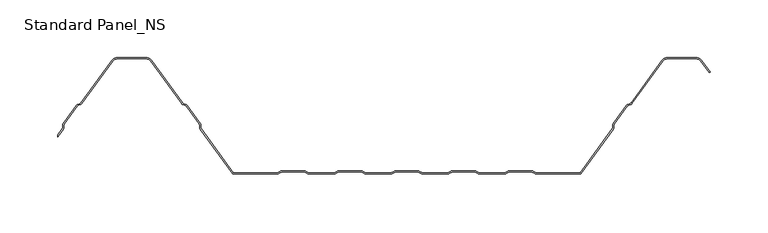
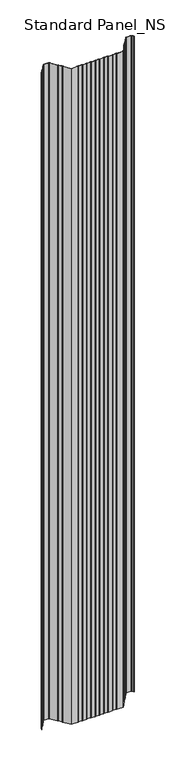
"""IFC4 building model written with IfcOpenShell, lengths in millimetres: proxy geometry, Standard Panel_NS."""

from ifc_helpers import new_model, si_unit, point, frame_2d, origin, origin_with_axes, place, context, project, spatial, polyline, circle_curve, trimmed, segment, composite_curve, outline, extrude, source, transform, mapped, element, save


def standard_panel_ns_bf9bcc61(model_context):
    return source(origin(), model_context, "Body", "SweptSolid", [
        extrude(outline(composite_curve([segment(polyline([(-265.3690592, 38.8012978), (-269.9999998, 32.4137935), (-269.9999998, 34.1174652), (-266.1786697, 39.3882654)]), True, "CONTINUOUS"), segment(trimmed(circle_curve(frame_2d((-267.5943584, 40.4146398)), 1.7486049), [point((-266.1786697, 39.3882654))], [point((-265.8471041, 40.3459275))], True, "CARTESIAN"), True, "CONTINUOUS"), segment(polyline([(-265.8471041, 40.3459275), (-265.7589288, 42.5881001)]), True, "CONTINUOUS"), segment(trimmed(circle_curve(frame_2d((-263.0124468, 42.4800924)), 2.7486049), [point((-265.7589288, 42.5881001))], [point((-265.237746, 44.0934344))], False, "CARTESIAN"), True, "CONTINUOUS"), segment(polyline([(-265.237746, 44.0934344), (-254.1199169, 59.4283711)]), True, "CONTINUOUS"), segment(trimmed(circle_curve(frame_2d((-251.8946177, 57.8150291)), 2.7486049), [point((-254.1199169, 59.4283711))], [point((-252.8512575, 60.3917847))], False, "CARTESIAN"), True, "CONTINUOUS"), segment(polyline([(-252.8512575, 60.3917847), (-250.7476461, 61.1727662)]), True, "CONTINUOUS"), segment(trimmed(circle_curve(frame_2d((-251.3562403, 62.8120441)), 1.7486049), [point((-250.7476461, 61.1727662))], [point((-249.9405515, 61.7856697))], True, "CARTESIAN"), True, "CONTINUOUS"), segment(polyline([(-249.9405515, 61.7856697), (-223.3068531, 98.5218054)]), True, "CONTINUOUS"), segment(trimmed(circle_curve(frame_2d((-218.4491905, 95.0)), 6.0), [point((-223.3068531, 98.5218054))], [point((-218.4491905, 101.0))], False, "CARTESIAN"), True, "CONTINUOUS"), segment(polyline([(-218.4491905, 101.0), (-193.5508098, 101.0)]), True, "CONTINUOUS"), segment(trimmed(circle_curve(frame_2d((-193.5508098, 95.0)), 6.0), [point((-193.5508098, 101.0))], [point((-188.6931472, 98.5218054))], False, "CARTESIAN"), True, "CONTINUOUS"), segment(polyline([(-188.6931472, 98.5218054), (-162.0594488, 61.7856697)]), True, "CONTINUOUS"), segment(trimmed(circle_curve(frame_2d((-160.64376, 62.8120441)), 1.7486049), [point((-162.0594488, 61.7856697))], [point((-161.2523542, 61.1727662))], True, "CARTESIAN"), True, "CONTINUOUS"), segment(polyline([(-161.2523542, 61.1727662), (-159.1487428, 60.3917847)]), True, "CONTINUOUS"), segment(trimmed(circle_curve(frame_2d((-160.1053826, 57.8150291)), 2.7486049), [point((-159.1487428, 60.3917847))], [point((-157.8800834, 59.4283711))], False, "CARTESIAN"), True, "CONTINUOUS"), segment(polyline([(-157.8800834, 59.4283711), (-146.7622543, 44.0934344)]), True, "CONTINUOUS"), segment(trimmed(circle_curve(frame_2d((-148.9875535, 42.4800924)), 2.7486049), [point((-146.7622543, 44.0934344))], [point((-146.2410715, 42.5881001))], False, "CARTESIAN"), True, "CONTINUOUS"), segment(polyline([(-146.2410715, 42.5881001), (-146.1528962, 40.3459275)]), True, "CONTINUOUS"), segment(trimmed(circle_curve(frame_2d((-144.4056419, 40.4146398)), 1.7486049), [point((-146.1528962, 40.3459275))], [point((-145.8213306, 39.3882654))], True, "CARTESIAN"), True, "CONTINUOUS"), segment(polyline([(-145.8213306, 39.3882654), (-117.9898382, 1.0), (-80.1655441, 1.0)]), True, "CONTINUOUS"), segment(trimmed(circle_curve(frame_2d((-80.1655441, 2.7486049)), 1.7486049), [point((-80.1655441, 1.0))], [point((-79.1955926, 1.2936777))], True, "CARTESIAN"), True, "CONTINUOUS"), segment(polyline([(-79.1955926, 1.2936777), (-77.3285502, 2.5383726)]), True, "CONTINUOUS"), segment(trimmed(circle_curve(frame_2d((-75.8038985, 0.2513951)), 2.7486049), [point((-77.3285502, 2.5383726))], [point((-75.8038985, 3.0))], False, "CARTESIAN"), True, "CONTINUOUS"), segment(polyline([(-75.8038985, 3.0), (-56.8627684, 3.0)]), True, "CONTINUOUS"), segment(trimmed(circle_curve(frame_2d((-56.8627684, 0.2513951)), 2.7486049), [point((-56.8627684, 3.0))], [point((-55.3381168, 2.5383726))], False, "CARTESIAN"), True, "CONTINUOUS"), segment(polyline([(-55.3381168, 2.5383726), (-53.4710744, 1.2936777)]), True, "CONTINUOUS"), segment(trimmed(circle_curve(frame_2d((-52.5011229, 2.7486049)), 1.7486049), [point((-53.4710744, 1.2936777))], [point((-52.5011229, 1.0))], True, "CARTESIAN"), True, "CONTINUOUS"), segment(polyline([(-52.5011229, 1.0), (-30.9988774, 1.0)]), True, "CONTINUOUS"), segment(trimmed(circle_curve(frame_2d((-30.9988774, 2.7486049)), 1.7486049), [point((-30.9988774, 1.0))], [point((-30.0289259, 1.2936777))], True, "CARTESIAN"), True, "CONTINUOUS"), segment(polyline([(-30.0289259, 1.2936777), (-28.1618835, 2.5383726)]), True, "CONTINUOUS"), segment(trimmed(circle_curve(frame_2d((-26.6372319, 0.2513951)), 2.7486049), [point((-28.1618835, 2.5383726))], [point((-26.6372319, 3.0))], False, "CARTESIAN"), True, "CONTINUOUS"), segment(polyline([(-26.6372319, 3.0), (-7.6961018, 3.0)]), True, "CONTINUOUS"), segment(trimmed(circle_curve(frame_2d((-7.6961018, 0.2513951)), 2.7486049), [point((-7.6961018, 3.0))], [point((-6.1714501, 2.5383726))], False, "CARTESIAN"), True, "CONTINUOUS"), segment(polyline([(-6.1714501, 2.5383726), (-4.3044077, 1.2936777)]), True, "CONTINUOUS"), segment(trimmed(circle_curve(frame_2d((-3.3344562, 2.7486049)), 1.7486049), [point((-4.3044077, 1.2936777))], [point((-3.3344562, 1.0))], True, "CARTESIAN"), True, "CONTINUOUS"), segment(polyline([(-3.3344562, 1.0), (18.1677892, 1.0)]), True, "CONTINUOUS"), segment(trimmed(circle_curve(frame_2d((18.1677892, 2.7486049)), 1.7486049), [point((18.1677892, 1.0))], [point((19.1377407, 1.2936777))], True, "CARTESIAN"), True, "CONTINUOUS"), segment(polyline([(19.1377407, 1.2936777), (21.0047831, 2.5383726)]), True, "CONTINUOUS"), segment(trimmed(circle_curve(frame_2d((22.5294348, 0.2513951)), 2.7486049), [point((21.0047831, 2.5383726))], [point((22.5294348, 3.0))], False, "CARTESIAN"), True, "CONTINUOUS"), segment(polyline([(22.5294348, 3.0), (41.4705649, 3.0)]), True, "CONTINUOUS"), segment(trimmed(circle_curve(frame_2d((41.4705649, 0.2513951)), 2.7486049), [point((41.4705649, 3.0))], [point((42.9952166, 2.5383726))], False, "CARTESIAN"), True, "CONTINUOUS"), segment(polyline([(42.9952166, 2.5383726), (44.862259, 1.2936777)]), True, "CONTINUOUS"), segment(trimmed(circle_curve(frame_2d((45.8322104, 2.7486049)), 1.7486049), [point((44.862259, 1.2936777))], [point((45.8322104, 1.0))], True, "CARTESIAN"), True, "CONTINUOUS"), segment(polyline([(45.8322104, 1.0), (67.3344559, 1.0)]), True, "CONTINUOUS"), segment(trimmed(circle_curve(frame_2d((67.3344559, 2.7486049)), 1.7486049), [point((67.3344559, 1.0))], [point((68.3044074, 1.2936777))], True, "CARTESIAN"), True, "CONTINUOUS"), segment(polyline([(68.3044074, 1.2936777), (70.1714498, 2.5383726)]), True, "CONTINUOUS"), segment(trimmed(circle_curve(frame_2d((71.6961015, 0.2513951)), 2.7486049), [point((70.1714498, 2.5383726))], [point((71.6961015, 3.0))], False, "CARTESIAN"), True, "CONTINUOUS"), segment(polyline([(71.6961015, 3.0), (90.6372316, 3.0)]), True, "CONTINUOUS"), segment(trimmed(circle_curve(frame_2d((90.6372316, 0.2513951)), 2.7486049), [point((90.6372316, 3.0))], [point((92.1618832, 2.5383726))], False, "CARTESIAN"), True, "CONTINUOUS"), segment(polyline([(92.1618832, 2.5383726), (94.0289256, 1.2936777)]), True, "CONTINUOUS"), segment(trimmed(circle_curve(frame_2d((94.9988771, 2.7486049)), 1.7486049), [point((94.0289256, 1.2936777))], [point((94.9988771, 1.0))], True, "CARTESIAN"), True, "CONTINUOUS"), segment(polyline([(94.9988771, 1.0), (116.5011226, 1.0)]), True, "CONTINUOUS"), segment(trimmed(circle_curve(frame_2d((116.5011226, 2.7486049)), 1.7486049), [point((116.5011226, 1.0))], [point((117.4710741, 1.2936777))], True, "CARTESIAN"), True, "CONTINUOUS"), segment(polyline([(117.4710741, 1.2936777), (119.3381165, 2.5383726)]), True, "CONTINUOUS"), segment(trimmed(circle_curve(frame_2d((120.8627681, 0.2513951)), 2.7486049), [point((119.3381165, 2.5383726))], [point((120.8627681, 3.0))], False, "CARTESIAN"), True, "CONTINUOUS"), segment(polyline([(120.8627681, 3.0), (139.8038982, 3.0)]), True, "CONTINUOUS"), segment(trimmed(circle_curve(frame_2d((139.8038982, 0.2513951)), 2.7486049), [point((139.8038982, 3.0))], [point((141.3285499, 2.5383726))], False, "CARTESIAN"), True, "CONTINUOUS"), segment(polyline([(141.3285499, 2.5383726), (143.1955923, 1.2936777)]), True, "CONTINUOUS"), segment(trimmed(circle_curve(frame_2d((144.1655438, 2.7486049)), 1.7486049), [point((143.1955923, 1.2936777))], [point((144.1655438, 1.0))], True, "CARTESIAN"), True, "CONTINUOUS"), segment(polyline([(144.1655438, 1.0), (181.9898379, 1.0), (209.8213303, 39.3882654)]), True, "CONTINUOUS"), segment(trimmed(circle_curve(frame_2d((208.4056416, 40.4146398)), 1.7486049), [point((209.8213303, 39.3882654))], [point((210.1528959, 40.3459275))], True, "CARTESIAN"), True, "CONTINUOUS"), segment(polyline([(210.1528959, 40.3459275), (210.2410712, 42.5881001)]), True, "CONTINUOUS"), segment(trimmed(circle_curve(frame_2d((212.9875532, 42.4800924)), 2.7486049), [point((210.2410712, 42.5881001))], [point((210.762254, 44.0934344))], False, "CARTESIAN"), True, "CONTINUOUS"), segment(polyline([(210.762254, 44.0934344), (221.8800831, 59.4283711)]), True, "CONTINUOUS"), segment(trimmed(circle_curve(frame_2d((224.1053823, 57.8150291)), 2.7486049), [point((221.8800831, 59.4283711))], [point((223.1487425, 60.3917847))], False, "CARTESIAN"), True, "CONTINUOUS"), segment(polyline([(223.1487425, 60.3917847), (225.2523539, 61.1727662)]), True, "CONTINUOUS"), segment(trimmed(circle_curve(frame_2d((224.6437597, 62.8120441)), 1.7486049), [point((225.2523539, 61.1727662))], [point((226.0594485, 61.7856697))], True, "CARTESIAN"), True, "CONTINUOUS"), segment(polyline([(226.0594485, 61.7856697), (252.6931469, 98.5218054)]), True, "CONTINUOUS"), segment(trimmed(circle_curve(frame_2d((257.5508095, 95.0)), 6.0), [point((252.6931469, 98.5218054))], [point((257.5508095, 101.0))], False, "CARTESIAN"), True, "CONTINUOUS"), segment(polyline([(257.5508095, 101.0), (282.4491902, 101.0)]), True, "CONTINUOUS"), segment(trimmed(circle_curve(frame_2d((282.4491902, 95.0)), 6.0), [point((282.4491902, 101.0))], [point((287.3068528, 98.5218054))], False, "CARTESIAN"), True, "CONTINUOUS"), segment(polyline([(287.3068528, 98.5218054), (294.6141239, 88.4428109), (293.8045134, 87.8558433), (286.4972424, 97.9348379)]), True, "CONTINUOUS"), segment(trimmed(circle_curve(frame_2d((282.4491902, 95.0)), 5.0), [point((286.4972424, 97.9348379))], [point((282.4491902, 100.0))], True, "CARTESIAN"), True, "CONTINUOUS"), segment(polyline([(282.4491902, 100.0), (257.5508095, 100.0)]), True, "CONTINUOUS"), segment(trimmed(circle_curve(frame_2d((257.5508095, 95.0)), 5.0), [point((257.5508095, 100.0))], [point((253.5027573, 97.9348379))], True, "CARTESIAN"), True, "CONTINUOUS"), segment(polyline([(253.5027573, 97.9348379), (226.8690589, 61.1987022)]), True, "CONTINUOUS"), segment(trimmed(circle_curve(frame_2d((224.6437597, 62.8120441)), 2.7486049), [point((226.8690589, 61.1987022))], [point((225.6003995, 60.2352885))], False, "CARTESIAN"), True, "CONTINUOUS"), segment(polyline([(225.6003995, 60.2352885), (223.4967881, 59.4543071)]), True, "CONTINUOUS"), segment(trimmed(circle_curve(frame_2d((224.1053823, 57.8150291)), 1.7486049), [point((223.4967881, 59.4543071))], [point((222.6896935, 58.8414035))], True, "CARTESIAN"), True, "CONTINUOUS"), segment(polyline([(222.6896935, 58.8414035), (211.5718644, 43.5064668)]), True, "CONTINUOUS"), segment(trimmed(circle_curve(frame_2d((212.9875532, 42.4800924)), 1.7486049), [point((211.5718644, 43.5064668))], [point((211.2402989, 42.5488047))], True, "CARTESIAN"), True, "CONTINUOUS"), segment(polyline([(211.2402989, 42.5488047), (211.1521235, 40.3066321)]), True, "CONTINUOUS"), segment(trimmed(circle_curve(frame_2d((208.4056416, 40.4146398)), 2.7486049), [point((211.1521235, 40.3066321))], [point((210.6309408, 38.8012978))], False, "CARTESIAN"), True, "CONTINUOUS"), segment(polyline([(210.6309408, 38.8012978), (182.4999998, 0.0), (144.1655438, 0.0)]), True, "CONTINUOUS"), segment(trimmed(circle_curve(frame_2d((144.1655438, 2.7486049)), 2.7486049), [point((144.1655438, 0.0))], [point((142.6408921, 0.4616274))], False, "CARTESIAN"), True, "CONTINUOUS"), segment(polyline([(142.6408921, 0.4616274), (140.7738497, 1.7063223)]), True, "CONTINUOUS"), segment(trimmed(circle_curve(frame_2d((139.8038982, 0.2513951)), 1.7486049), [point((140.7738497, 1.7063223))], [point((139.8038982, 2.0))], True, "CARTESIAN"), True, "CONTINUOUS"), segment(polyline([(139.8038982, 2.0), (120.8627681, 2.0)]), True, "CONTINUOUS"), segment(trimmed(circle_curve(frame_2d((120.8627681, 0.2513951)), 1.7486049), [point((120.8627681, 2.0))], [point((119.8928167, 1.7063223))], True, "CARTESIAN"), True, "CONTINUOUS"), segment(polyline([(119.8928167, 1.7063223), (118.0257743, 0.4616274)]), True, "CONTINUOUS"), segment(trimmed(circle_curve(frame_2d((116.5011226, 2.7486049)), 2.7486049), [point((118.0257743, 0.4616274))], [point((116.5011226, 0.0))], False, "CARTESIAN"), True, "CONTINUOUS"), segment(polyline([(116.5011226, 0.0), (94.9988771, 0.0)]), True, "CONTINUOUS"), segment(trimmed(circle_curve(frame_2d((94.9988771, 2.7486049)), 2.7486049), [point((94.9988771, 0.0))], [point((93.4742254, 0.4616274))], False, "CARTESIAN"), True, "CONTINUOUS"), segment(polyline([(93.4742254, 0.4616274), (91.607183, 1.7063223)]), True, "CONTINUOUS"), segment(trimmed(circle_curve(frame_2d((90.6372316, 0.2513951)), 1.7486049), [point((91.607183, 1.7063223))], [point((90.6372316, 2.0))], True, "CARTESIAN"), True, "CONTINUOUS"), segment(polyline([(90.6372316, 2.0), (71.6961015, 2.0)]), True, "CONTINUOUS"), segment(trimmed(circle_curve(frame_2d((71.6961015, 0.2513951)), 1.7486049), [point((71.6961015, 2.0))], [point((70.72615, 1.7063223))], True, "CARTESIAN"), True, "CONTINUOUS"), segment(polyline([(70.72615, 1.7063223), (68.8591076, 0.4616274)]), True, "CONTINUOUS"), segment(trimmed(circle_curve(frame_2d((67.3344559, 2.7486049)), 2.7486049), [point((68.8591076, 0.4616274))], [point((67.3344559, 0.0))], False, "CARTESIAN"), True, "CONTINUOUS"), segment(polyline([(67.3344559, 0.0), (45.8322104, 0.0)]), True, "CONTINUOUS"), segment(trimmed(circle_curve(frame_2d((45.8322104, 2.7486049)), 2.7486049), [point((45.8322104, 0.0))], [point((44.3075588, 0.4616274))], False, "CARTESIAN"), True, "CONTINUOUS"), segment(polyline([(44.3075588, 0.4616274), (42.4405164, 1.7063223)]), True, "CONTINUOUS"), segment(trimmed(circle_curve(frame_2d((41.4705649, 0.2513951)), 1.7486049), [point((42.4405164, 1.7063223))], [point((41.4705649, 2.0))], True, "CARTESIAN"), True, "CONTINUOUS"), segment(polyline([(41.4705649, 2.0), (22.5294348, 2.0)]), True, "CONTINUOUS"), segment(trimmed(circle_curve(frame_2d((22.5294348, 0.2513951)), 1.7486049), [point((22.5294348, 2.0))], [point((21.5594833, 1.7063223))], True, "CARTESIAN"), True, "CONTINUOUS"), segment(polyline([(21.5594833, 1.7063223), (19.6924409, 0.4616274)]), True, "CONTINUOUS"), segment(trimmed(circle_curve(frame_2d((18.1677892, 2.7486049)), 2.7486049), [point((19.6924409, 0.4616274))], [point((18.1677892, 0.0))], False, "CARTESIAN"), True, "CONTINUOUS"), segment(polyline([(18.1677892, 0.0), (-3.3344562, 0.0)]), True, "CONTINUOUS"), segment(trimmed(circle_curve(frame_2d((-3.3344562, 2.7486049)), 2.7486049), [point((-3.3344562, 0.0))], [point((-4.8591079, 0.4616274))], False, "CARTESIAN"), True, "CONTINUOUS"), segment(polyline([(-4.8591079, 0.4616274), (-6.7261503, 1.7063223)]), True, "CONTINUOUS"), segment(trimmed(circle_curve(frame_2d((-7.6961018, 0.2513951)), 1.7486049), [point((-6.7261503, 1.7063223))], [point((-7.6961018, 2.0))], True, "CARTESIAN"), True, "CONTINUOUS"), segment(polyline([(-7.6961018, 2.0), (-26.6372319, 2.0)]), True, "CONTINUOUS"), segment(trimmed(circle_curve(frame_2d((-26.6372319, 0.2513951)), 1.7486049), [point((-26.6372319, 2.0))], [point((-27.6071833, 1.7063223))], True, "CARTESIAN"), True, "CONTINUOUS"), segment(polyline([(-27.6071833, 1.7063223), (-29.4742257, 0.4616274)]), True, "CONTINUOUS"), segment(trimmed(circle_curve(frame_2d((-30.9988774, 2.7486049)), 2.7486049), [point((-29.4742257, 0.4616274))], [point((-30.9988774, 0.0))], False, "CARTESIAN"), True, "CONTINUOUS"), segment(polyline([(-30.9988774, 0.0), (-52.5011229, 0.0)]), True, "CONTINUOUS"), segment(trimmed(circle_curve(frame_2d((-52.5011229, 2.7486049)), 2.7486049), [point((-52.5011229, 0.0))], [point((-54.0257746, 0.4616274))], False, "CARTESIAN"), True, "CONTINUOUS"), segment(polyline([(-54.0257746, 0.4616274), (-55.892817, 1.7063223)]), True, "CONTINUOUS"), segment(trimmed(circle_curve(frame_2d((-56.8627684, 0.2513951)), 1.7486049), [point((-55.892817, 1.7063223))], [point((-56.8627684, 2.0))], True, "CARTESIAN"), True, "CONTINUOUS"), segment(polyline([(-56.8627684, 2.0), (-75.8038985, 2.0)]), True, "CONTINUOUS"), segment(trimmed(circle_curve(frame_2d((-75.8038985, 0.2513951)), 1.7486049), [point((-75.8038985, 2.0))], [point((-76.77385, 1.7063223))], True, "CARTESIAN"), True, "CONTINUOUS"), segment(polyline([(-76.77385, 1.7063223), (-78.6408924, 0.4616274)]), True, "CONTINUOUS"), segment(trimmed(circle_curve(frame_2d((-80.1655441, 2.7486049)), 2.7486049), [point((-78.6408924, 0.4616274))], [point((-80.1655441, 0.0))], False, "CARTESIAN"), True, "CONTINUOUS"), segment(polyline([(-80.1655441, 0.0), (-118.5000002, 0.0), (-146.6309411, 38.8012978)]), True, "CONTINUOUS"), segment(trimmed(circle_curve(frame_2d((-144.4056419, 40.4146398)), 2.7486049), [point((-146.6309411, 38.8012978))], [point((-147.1521238, 40.3066321))], False, "CARTESIAN"), True, "CONTINUOUS"), segment(polyline([(-147.1521238, 40.3066321), (-147.2402992, 42.5488047)]), True, "CONTINUOUS"), segment(trimmed(circle_curve(frame_2d((-148.9875535, 42.4800924)), 1.7486049), [point((-147.2402992, 42.5488047))], [point((-147.5718647, 43.5064668))], True, "CARTESIAN"), True, "CONTINUOUS"), segment(polyline([(-147.5718647, 43.5064668), (-158.6896938, 58.8414035)]), True, "CONTINUOUS"), segment(trimmed(circle_curve(frame_2d((-160.1053826, 57.8150291)), 1.7486049), [point((-158.6896938, 58.8414035))], [point((-159.4967884, 59.4543071))], True, "CARTESIAN"), True, "CONTINUOUS"), segment(polyline([(-159.4967884, 59.4543071), (-161.6003998, 60.2352885)]), True, "CONTINUOUS"), segment(trimmed(circle_curve(frame_2d((-160.64376, 62.8120441)), 2.7486049), [point((-161.6003998, 60.2352885))], [point((-162.8690592, 61.1987022))], False, "CARTESIAN"), True, "CONTINUOUS"), segment(polyline([(-162.8690592, 61.1987022), (-189.5027576, 97.9348379)]), True, "CONTINUOUS"), segment(trimmed(circle_curve(frame_2d((-193.5508098, 95.0)), 5.0), [point((-189.5027576, 97.9348379))], [point((-193.5508098, 100.0))], True, "CARTESIAN"), True, "CONTINUOUS"), segment(polyline([(-193.5508098, 100.0), (-218.4491905, 100.0)]), True, "CONTINUOUS"), segment(trimmed(circle_curve(frame_2d((-218.4491905, 95.0)), 5.0), [point((-218.4491905, 100.0))], [point((-222.4972427, 97.9348379))], True, "CARTESIAN"), True, "CONTINUOUS"), segment(polyline([(-222.4972427, 97.9348379), (-249.1309411, 61.1987022)]), True, "CONTINUOUS"), segment(trimmed(circle_curve(frame_2d((-251.3562403, 62.8120441)), 2.7486049), [point((-249.1309411, 61.1987022))], [point((-250.3996005, 60.2352885))], False, "CARTESIAN"), True, "CONTINUOUS"), segment(polyline([(-250.3996005, 60.2352885), (-252.5032119, 59.4543071)]), True, "CONTINUOUS"), segment(trimmed(circle_curve(frame_2d((-251.8946177, 57.8150291)), 1.7486049), [point((-252.5032119, 59.4543071))], [point((-253.3103065, 58.8414035))], True, "CARTESIAN"), True, "CONTINUOUS"), segment(polyline([(-253.3103065, 58.8414035), (-264.4281356, 43.5064668)]), True, "CONTINUOUS"), segment(trimmed(circle_curve(frame_2d((-263.0124468, 42.4800924)), 1.7486049), [point((-264.4281356, 43.5064668))], [point((-264.7597011, 42.5488047))], True, "CARTESIAN"), True, "CONTINUOUS"), segment(polyline([(-264.7597011, 42.5488047), (-264.8478765, 40.3066321)]), True, "CONTINUOUS"), segment(trimmed(circle_curve(frame_2d((-267.5943584, 40.4146398)), 2.7486049), [point((-264.8478765, 40.3066321))], [point((-265.3690592, 38.8012978))], False, "CARTESIAN"), True, "CONTINUOUS")], self_intersect=False)), origin_with_axes(), (0.0, 0.0, 1.0), 4000.0),
    ])


if __name__ == "__main__":
    model = new_model("IFC4")
    model_context = context("Model", 3, world=origin())
    ifc_project = project(units=[si_unit("LENGTHUNIT", "METRE", prefix="MILLI")], contexts=[model_context])
    site = spatial("IfcSite", under=ifc_project)
    building = spatial("IfcBuilding", under=site)
    placement = place(None, origin())
    standard_panel_ns_shape = standard_panel_ns_bf9bcc61(model_context)
    element("IfcBuildingElementProxy", 1, Name="Standard Panel_NS", ObjectType="Standard Panel_NS", at=placement, inside=building, context=model_context, shape_type="MappedRepresentation", body=[
        mapped(standard_panel_ns_shape, transform((0.0, 0.0, 0.0), x_axis=(1.0, 0.0, 0.0), y_axis=(0.0, 1.0, 0.0), z_axis=(0.0, 0.0, 1.0))),
    ])
    save(model, "model.ifc")
